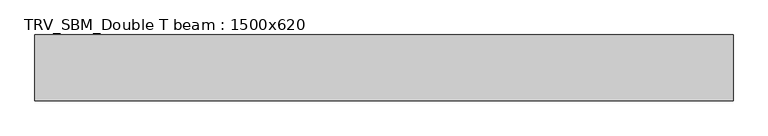
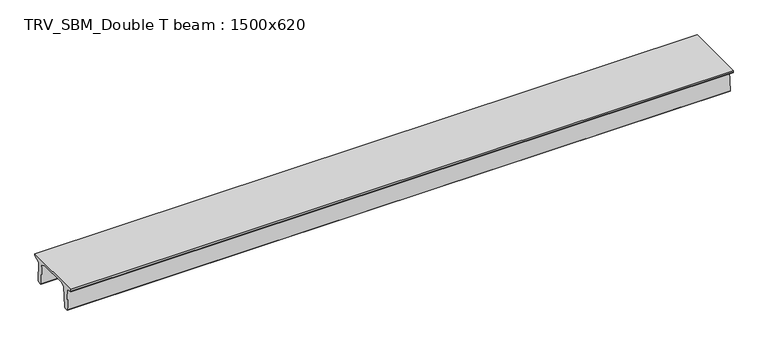
"""IFC4 building model written with IfcOpenShell, lengths in millimetres: beam geometry, TRV_SBM_Double T beam : 1500x620."""

from ifc_helpers import new_model, si_unit, frame, origin, place, context, project, spatial, polyline, outline, extrude, source, transform, mapped, element, save


def trv_sbm_double_t_beam_1500x620_488dbbfa(model_context):
    return source(origin(), model_context, "Body", "SweptSolid", [
        extrude(outline(polyline([(-765.0, 215.0), (-765.0, 260.0), (735.0, 260.0), (735.0, 215.0), (728.2094488, 201.315559), (578.0626443, 140.6523122), (594.8277662, -339.4379646), (574.2657308, -360.0), (484.2657308, -360.0), (464.786332, -340.5206011), (447.8600761, 144.18395), (338.3237744, 210.0), (-367.4555014, 210.0), (-476.5389732, 151.9992892), (-507.0080378, -339.3850967), (-527.622941, -360.0), (-615.122941, -360.0), (-637.1143055, -338.0086356), (-606.1572167, 162.687806), (-761.3068466, 204.260024), (-765.0, 215.0)])), frame((-7967.5, 0.0, 0.0), z_axis=(1.0, 0.0, 0.0), x_axis=(0.0, 1.0, 0.0)), (0.0, 0.0, 1.0), 15935.0),
    ])


if __name__ == "__main__":
    model = new_model("IFC4")
    model_context = context("Model", 3, world=origin())
    ifc_project = project(units=[si_unit("LENGTHUNIT", "METRE", prefix="MILLI")], contexts=[model_context])
    site = spatial("IfcSite", under=ifc_project)
    building = spatial("IfcBuilding", under=site)
    placement = place(None, origin())
    trv_sbm_double_t_beam_1500x620_shape = trv_sbm_double_t_beam_1500x620_488dbbfa(model_context)
    element("IfcBeam", 1, ObjectType="TRV_SBM_Double T beam : 1500x620", at=placement, inside=building, context=model_context, shape_type="MappedRepresentation", body=[
        mapped(trv_sbm_double_t_beam_1500x620_shape, transform((0.0, 0.0, 0.0), x_axis=(1.0, 0.0, 0.0), y_axis=(0.0, 1.0, 0.0), z_axis=(0.0, 0.0, 1.0))),
    ])
    save(model, "model.ifc")
